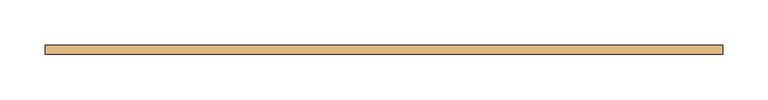
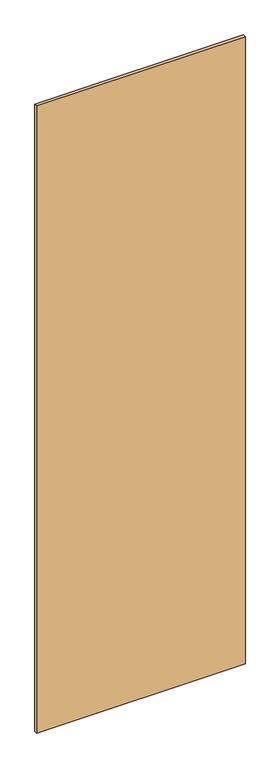
"""IFC4 building model written with IfcOpenShell, lengths in millimetres: door geometry."""

from ifc_helpers import new_model, si_unit, frame, origin, place, context, project, spatial, polyline, outline, extrude, source, transform, mapped, element, save


def door_3b175c53(model_context):
    return source(origin(), model_context, "Body", "SweptSolid", [
        extrude(outline(polyline([(374.9040671, 5.0), (374.9040671, -5.0), (-374.9040671, -5.0), (-374.9040671, 5.0), (374.9040671, 5.0)])), frame((0.0, 0.0, 1.5559478), z_axis=(0.0, 0.0, 1.0), x_axis=(1.0, 0.0, 0.0)), (0.0, 0.0, 1.0), 2378.8692245),
    ])


if __name__ == "__main__":
    model = new_model("IFC4")
    model_context = context("Model", 3, world=origin())
    ifc_project = project(units=[si_unit("LENGTHUNIT", "METRE", prefix="MILLI")], contexts=[model_context])
    site = spatial("IfcSite", under=ifc_project)
    building = spatial("IfcBuilding", under=site)
    placement = place(None, origin())
    door_shape = door_3b175c53(model_context)
    element("IfcDoor", 1, at=placement, inside=building, context=model_context, shape_type="MappedRepresentation", body=[
        mapped(door_shape, transform((0.0, 0.0, 0.0), x_axis=(1.0, 0.0, 0.0), y_axis=(0.0, 1.0, 0.0), z_axis=(0.0, 0.0, 1.0))),
    ])
    save(model, "model.ifc")
